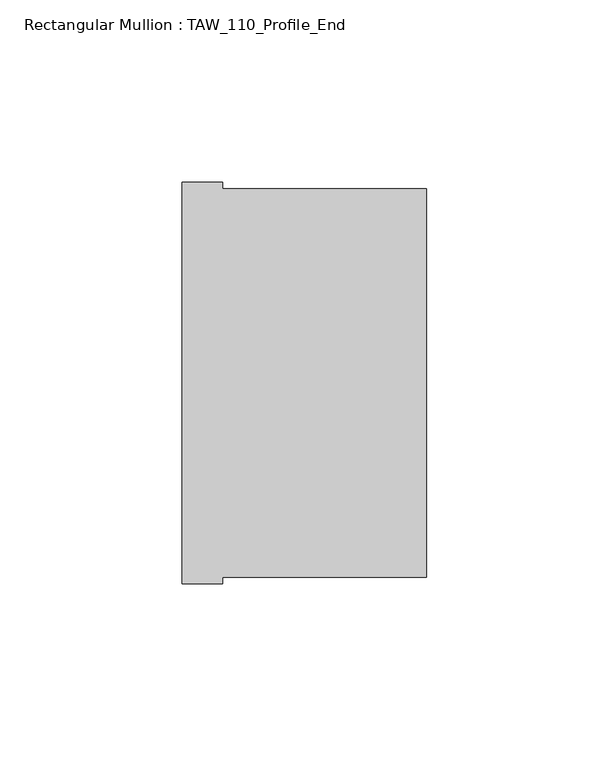
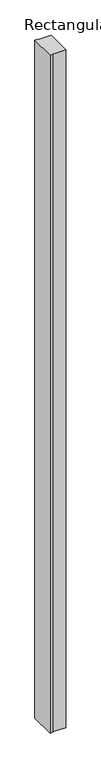
"""IFC4 building model written with IfcOpenShell, lengths in millimetres: member geometry, Rectangular Mullion : TAW_110_Profile_End."""

from ifc_helpers import new_model, si_unit, frame, origin, place, context, project, spatial, polyline, outline, extrude, source, transform, mapped, element, save


def rectangular_mullion_taw_110_profile_end_6a95a70e(model_context):
    return source(origin(), model_context, "Body", "SweptSolid", [
        extrude(outline(polyline([(0.0, 53.3000317), (0.0, -53.3000317), (-56.0000107, -53.3000317), (-56.0000107, -54.9999673), (-67.0000107, -54.9999673), (-67.0000107, 55.0000327), (-56.0000107, 55.0000327), (-56.0000107, 53.3000317), (0.0, 53.3000317)])), frame((0.0, 0.0, -3000.0), z_axis=(0.0, 0.0, 1.0), x_axis=(1.0, 0.0, 0.0)), (0.0, 0.0, 1.0), 3000.0),
    ])


if __name__ == "__main__":
    model = new_model("IFC4")
    model_context = context("Model", 3, world=origin())
    ifc_project = project(units=[si_unit("LENGTHUNIT", "METRE", prefix="MILLI")], contexts=[model_context])
    site = spatial("IfcSite", under=ifc_project)
    building = spatial("IfcBuilding", under=site)
    placement = place(None, origin())
    rectangular_mullion_taw_110_profile_end_shape = rectangular_mullion_taw_110_profile_end_6a95a70e(model_context)
    element("IfcMember", 1, ObjectType="Rectangular Mullion : TAW_110_Profile_End", at=placement, inside=building, context=model_context, shape_type="MappedRepresentation", body=[
        mapped(rectangular_mullion_taw_110_profile_end_shape, transform((0.0, 0.0, 0.0), x_axis=(1.0, 0.0, 0.0), y_axis=(0.0, 1.0, 0.0), z_axis=(0.0, 0.0, 1.0))),
    ])
    save(model, "model.ifc")
